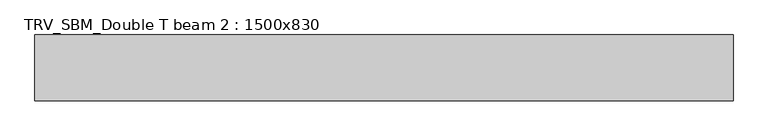
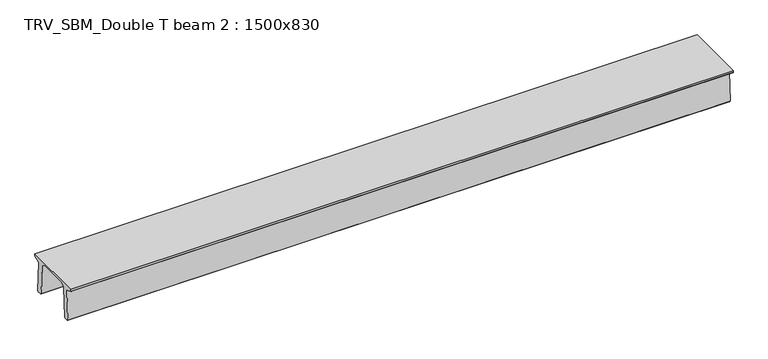
"""IFC4 building model written with IfcOpenShell, lengths in millimetres: beam geometry, TRV_SBM_Double T beam 2 : 1500x830."""

import ifcopenshell
import ifcopenshell.guid

model = None  # the IFC model being written
_history = None  # IfcOwnerHistory: only IFC2X3 demands one
_inside = {}  # id of a spatial element -> (the spatial element, [elements in it])
_under = {}  # id of a project, library or spatial element -> (it, [spatial elements below it])
_declared = {}  # id of a project -> (the project, [libraries it declares])
_typed = {}  # id of a type object -> (the type object, [elements of that type])
_made_of = {}  # id of a material, layer set ... -> (it, [elements and type objects made of it])


def new_model(schema):
    """Start an empty IFC model of exactly this schema.

    Asked for "IFC4X3", IfcOpenShell would pick the latest addendum, in which some entities
    have other attributes; the version numbers below select the first issue.
    IFC2X3 requires an IfcOwnerHistory on every rooted entity: one is made here for all.
    """
    global model, _history
    if schema == "IFC4X3":
        model = ifcopenshell.file(schema_version=(4, 3, 0, 0))
    else:
        model = ifcopenshell.file(schema=schema)
    _inside.clear()
    _under.clear()
    _declared.clear()
    _typed.clear()
    _made_of.clear()
    _history = None
    if model.schema == "IFC2X3":
        org = make("IfcOrganization", Name="unknown")
        user = make(
            "IfcPersonAndOrganization",
            ThePerson=make("IfcPerson", FamilyName="unknown"),
            TheOrganization=org,
        )
        app = make(
            "IfcApplication",
            ApplicationDeveloper=org,
            Version="unknown",
            ApplicationFullName="unknown",
            ApplicationIdentifier="unknown",
        )
        _history = make(
            "IfcOwnerHistory",
            OwningUser=user,
            OwningApplication=app,
            ChangeAction="ADDED",
            CreationDate=0,
        )
    return model


def make(cls, **values):
    """One entity of the class cls with the attributes given. An attribute that is None is left unset."""
    return model.create_entity(
        cls, **{name: value for name, value in values.items() if value is not None}
    )


def rooted(cls, **values):
    """An entity with a GlobalId (a new one), such as an element, a storey or a relation."""
    return make(cls, GlobalId=ifcopenshell.guid.new(), OwnerHistory=_history, **values)


def si_unit(unit_type, name, prefix=None):
    """IfcSIUnit, for example si_unit("LENGTHUNIT", "METRE", prefix="MILLI")."""
    return make("IfcSIUnit", UnitType=unit_type, Prefix=prefix, Name=name)


def assignment(units):
    """IfcUnitAssignment: the units of a project."""
    return None if units is None else make("IfcUnitAssignment", Units=units)


def point(xyz):
    """IfcCartesianPoint."""
    return None if xyz is None else make("IfcCartesianPoint", Coordinates=xyz)


def direction(xyz):
    """IfcDirection."""
    return None if xyz is None else make("IfcDirection", DirectionRatios=xyz)


def frame(location, z_axis=None, x_axis=None):
    """IfcAxis2Placement3D, a coordinate frame: its origin and axes. An axis left out is left unset."""
    return make(
        "IfcAxis2Placement3D",
        Location=point(location),
        Axis=direction(z_axis),
        RefDirection=direction(x_axis),
    )


def origin():
    """The frame at (0, 0, 0) with its axes left unset."""
    return frame((0.0, 0.0, 0.0))


def place(relative_to, where):
    """IfcLocalPlacement: puts the frame where relative to a parent placement (None: the world)."""
    return make(
        "IfcLocalPlacement", PlacementRelTo=relative_to, RelativePlacement=where
    )


def context(
    kind, dimensions, precision=None, world=None, true_north=None, identifier=None
):
    """IfcGeometricRepresentationContext, for example the 3D "Model" context."""
    return make(
        "IfcGeometricRepresentationContext",
        ContextIdentifier=identifier,
        ContextType=kind,
        CoordinateSpaceDimension=dimensions,
        Precision=precision,
        WorldCoordinateSystem=world,
        TrueNorth=true_north,
    )


def project(units=None, contexts=None):
    """IfcProject with its units and contexts."""
    return rooted(
        "IfcProject",
        Name="project",
        RepresentationContexts=contexts,
        UnitsInContext=assignment(units),
    )


def spatial(cls, under=None, at=None, **own):
    """A site, building, storey or space (cls), placed at a placement, below another one or the project."""
    s = rooted(cls, ObjectPlacement=at, **own)
    if under is not None:
        _under.setdefault(under.id(), (under, []))[1].append(s)
    return s


def polyline(points):
    """IfcPolyline through the points."""
    return make("IfcPolyline", Points=[point(p) for p in points])


def outline(outer, holes=None, kind="AREA"):
    """IfcArbitraryClosedProfileDef: a profile drawn as a closed curve; with holes, ...WithVoids."""
    if holes is None:
        return make("IfcArbitraryClosedProfileDef", ProfileType=kind, OuterCurve=outer)
    return make(
        "IfcArbitraryProfileDefWithVoids",
        ProfileType=kind,
        OuterCurve=outer,
        InnerCurves=holes,
    )


def extrude(swept, where, along, depth):
    """IfcExtrudedAreaSolid: the profile swept, set in the frame where, extruded along a direction by depth."""
    return make(
        "IfcExtrudedAreaSolid",
        SweptArea=swept,
        Position=where,
        ExtrudedDirection=direction(along),
        Depth=depth,
    )


def shape(context_of_items, identifier, shape_type, items):
    """IfcShapeRepresentation: the items that make up one representation, for example the "Body"."""
    return make(
        "IfcShapeRepresentation",
        ContextOfItems=context_of_items,
        RepresentationIdentifier=identifier,
        RepresentationType=shape_type,
        Items=items,
    )


def source(mapping_origin, context_of_items, identifier, shape_type, items):
    """IfcRepresentationMap: a shape defined once, which mapped items show again and again."""
    return make(
        "IfcRepresentationMap",
        MappingOrigin=mapping_origin,
        MappedRepresentation=shape(context_of_items, identifier, shape_type, items),
    )


def transform(
    local_origin,
    x_axis=None,
    y_axis=None,
    z_axis=None,
    scale=None,
    scale2=None,
    scale3=None,
    uniform=True,
):
    """IfcCartesianTransformationOperator3D, or its non-uniform kind. x_axis, y_axis, z_axis: its Axis1, 2, 3."""
    if uniform:
        return make(
            "IfcCartesianTransformationOperator3D",
            Axis1=direction(x_axis),
            Axis2=direction(y_axis),
            LocalOrigin=point(local_origin),
            Scale=scale,
            Axis3=direction(z_axis),
        )
    return make(
        "IfcCartesianTransformationOperator3DnonUniform",
        Axis1=direction(x_axis),
        Axis2=direction(y_axis),
        LocalOrigin=point(local_origin),
        Scale=scale,
        Axis3=direction(z_axis),
        Scale2=scale2,
        Scale3=scale3,
    )


def mapped(mapping_source, mapping_target):
    """IfcMappedItem: shows the shape of a source again, moved by a transform."""
    return make(
        "IfcMappedItem", MappingSource=mapping_source, MappingTarget=mapping_target
    )


def made_of(thing, what):
    """Note that an element or type object is made of a material, layer set ...; save() writes the relation."""
    if what is not None:
        _made_of.setdefault(what.id(), (what, []))[1].append(thing)
    return thing


def element(
    cls,
    number,
    at=None,
    inside=None,
    cuts=None,
    type_object=None,
    material=None,
    context=None,
    identifier="Body",
    shape_type=None,
    held_by="IfcProductDefinitionShape",
    body=None,
    shapes=None,
    **own,
):
    """One element of the class cls, such as IfcWall. Its Tag is "e" and its number.

    at: its placement. inside: the storey or other place that contains it. cuts: it is an
    opening in that element (IfcRelVoidsElement). A single representation is given by context,
    identifier, shape_type and body (its items); several are given by shapes. held_by: the class
    of the entity that holds the representations. save() writes the other relations.
    """
    e = rooted(cls, Tag="e%d" % number, ObjectPlacement=at, **own)
    if body is not None:
        shapes = [shape(context, identifier, shape_type, body)]
    if shapes is not None:
        e.Representation = make(held_by, Representations=shapes)
    if inside is not None:
        _inside.setdefault(inside.id(), (inside, []))[1].append(e)
    if cuts is not None:
        rooted(
            "IfcRelVoidsElement", RelatingBuildingElement=cuts, RelatedOpeningElement=e
        )
    if type_object is not None:
        _typed.setdefault(type_object.id(), (type_object, []))[1].append(e)
    return made_of(e, material)


def aggregate(whole, parts):
    """IfcRelAggregates: a whole, such as a stair, and the parts it consists of."""
    return rooted("IfcRelAggregates", RelatingObject=whole, RelatedObjects=parts)


def save(model, path):
    """Write the relations noted so far, then the file.

    IfcRelAggregates (storeys below a building ...), IfcRelContainedInSpatialStructure (elements
    in a storey), IfcRelDefinesByType, IfcRelAssociatesMaterial and IfcRelDeclares: one each for
    every whole, place, type object, material and project.
    """
    for whole, parts in _under.values():
        aggregate(whole, parts)
    for where, things in _inside.values():
        rooted(
            "IfcRelContainedInSpatialStructure",
            RelatedElements=things,
            RelatingStructure=where,
        )
    for kind, things in _typed.values():
        rooted("IfcRelDefinesByType", RelatedObjects=things, RelatingType=kind)
    for what, things in _made_of.values():
        rooted("IfcRelAssociatesMaterial", RelatedObjects=things, RelatingMaterial=what)
    for by, libraries in _declared.values():
        rooted("IfcRelDeclares", RelatingContext=by, RelatedDefinitions=libraries)
    model.write(path)


def trv_sbm_double_t_beam_2_1500x830_d195c9a0(model_context):
    return source(origin(), model_context, "Body", "SweptSolid", [
        extrude(outline(polyline([(337.4555014, 470.0), (-343.4555014, 470.0), (-456.5828437, 409.8491251), (-494.786332, -340.5206011), (-514.2657308, -360.0), (-604.2657308, -360.0), (-624.8277662, -339.4379646), (-586.9373878, 401.9654693), (-752.8511046, 468.9989621), (-753.0, 475.0), (-753.0, 520.0), (747.0, 520.0), (747.0, 475.0), (746.8511046, 468.9989621), (580.9373878, 401.9654693), (618.8277662, -339.4379646), (598.2657308, -360.0), (508.2657308, -360.0), (488.786332, -340.5206011), (450.5828437, 409.8491251), (337.4555014, 470.0)])), frame((-7970.5, 0.0, 0.0), z_axis=(1.0, 0.0, 0.0), x_axis=(0.0, 1.0, 0.0)), (0.0, 0.0, 1.0), 15941.0),
    ])


if __name__ == "__main__":
    model = new_model("IFC4")
    model_context = context("Model", 3, world=origin())
    ifc_project = project(units=[si_unit("LENGTHUNIT", "METRE", prefix="MILLI")], contexts=[model_context])
    site = spatial("IfcSite", under=ifc_project)
    building = spatial("IfcBuilding", under=site)
    placement = place(None, origin())
    trv_sbm_double_t_beam_2_1500x830_shape = trv_sbm_double_t_beam_2_1500x830_d195c9a0(model_context)
    element("IfcBeam", 1, ObjectType="TRV_SBM_Double T beam 2 : 1500x830", at=placement, inside=building, context=model_context, shape_type="MappedRepresentation", body=[
        mapped(trv_sbm_double_t_beam_2_1500x830_shape, transform((0.0, 0.0, 0.0), x_axis=(1.0, 0.0, 0.0), y_axis=(0.0, 1.0, 0.0), z_axis=(0.0, 0.0, 1.0))),
    ])
    save(model, "model.ifc")
